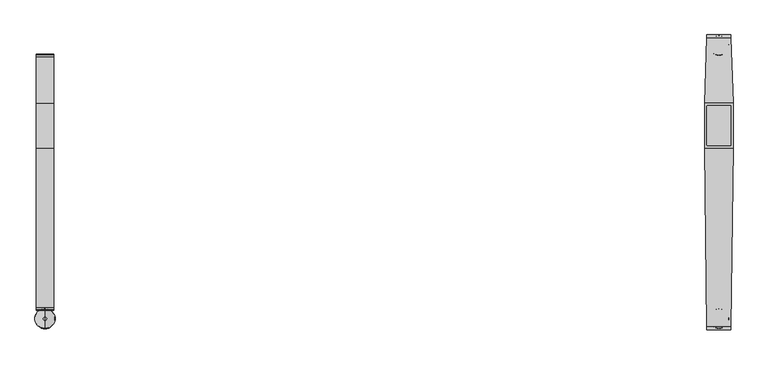
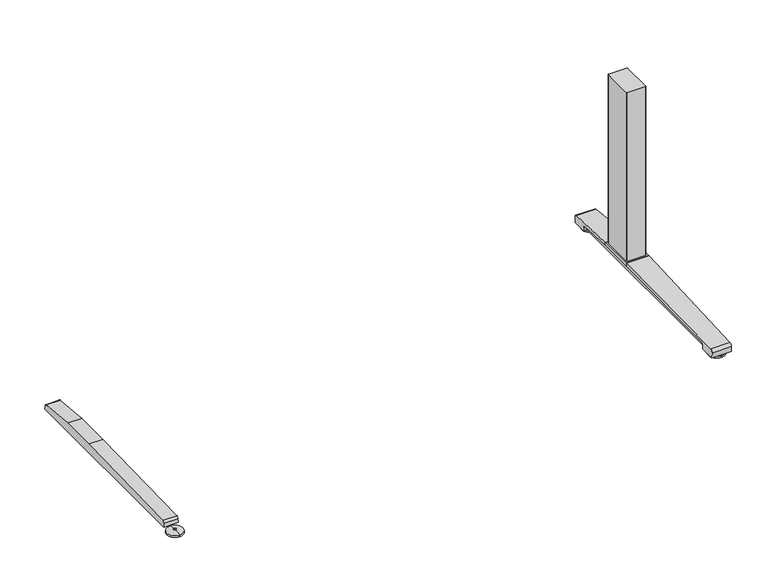
"""IFC4 building model written with IfcOpenShell, lengths in millimetres: furniture geometry."""

from ifc_helpers import new_model, si_unit, point, frame, frame_2d, origin, place, context, project, spatial, polyline, circle_curve, ellipse_curve, trimmed, segment, composite_curve, outline, extrude, source, transform, mapped, element, save
from ifc_brep_helpers import plane_surface, cylinder_surface, revolved_surface, advanced_brep


def furniture_380b1c24(model_context):
    return source(origin(), model_context, "Body", "SolidModel", [
        advanced_brep(
        [(-836.676, -364.1643617, 0.0), (-836.676, -313.9743384, 0.0), (-836.676, -339.06935, 0.0), (-836.676, -364.0796512, 5.0038001), (-836.676, -314.0590489, 5.0038001), (-836.676, -343.0698499, 8.4327997), (-836.676, -335.0688501, 8.4327997), (-836.676, -343.0698499, 10.0423733), (-836.676, -335.0688501, 10.0423733), (-836.676, -339.06935, 10.0423733)],
        [
            (0, 1, circle_curve(frame((-836.676, -339.06935, 0.0), z_axis=(0.0, 0.0, -1.0), x_axis=(0.0, 1.0, 0.0)), 25.0950117)),
            (1, 2),
            (2, 0),
            (1, 0, circle_curve(frame((-836.676, -339.06935, 0.0), z_axis=(0.0, 0.0, -1.0), x_axis=(0.0, 1.0, 0.0)), 25.0950117)),
            (3, 4, circle_curve(frame((-836.676, -339.06935, 5.0038001), z_axis=(0.0, 0.0, -1.0), x_axis=(0.0, 1.0, 0.0)), 25.0103012)),
            (4, 1),
            (0, 3),
            (4, 3, circle_curve(frame((-836.676, -339.06935, 5.0038001), z_axis=(0.0, 0.0, -1.0), x_axis=(0.0, 1.0, 0.0)), 25.0103012)),
            (5, 6, circle_curve(frame((-836.676, -339.06935, 8.4327997), z_axis=(0.0, 0.0, -1.0), x_axis=(0.0, 1.0, 0.0)), 4.0004999)),
            (6, 4, circle_curve(frame((-836.676, -335.0368668, -57.4502444), z_axis=(-1.0, 0.0, 0.0), x_axis=(0.0, 1.0, 0.0)), 65.8830518)),
            (3, 5, circle_curve(frame((-836.676, -343.1018333, -57.4502444), z_axis=(-1.0, 0.0, 0.0), x_axis=(0.0, -1.0, 0.0)), 65.8830518)),
            (6, 5, circle_curve(frame((-836.676, -339.06935, 8.4327997), z_axis=(0.0, 0.0, -1.0), x_axis=(0.0, 1.0, 0.0)), 4.0004999)),
            (7, 8, circle_curve(frame((-836.676, -339.06935, 10.0423733), z_axis=(0.0, 0.0, -1.0), x_axis=(0.0, 1.0, 0.0)), 4.0004999)),
            (8, 6),
            (5, 7),
            (8, 7, circle_curve(frame((-836.676, -339.06935, 10.0423733), z_axis=(0.0, 0.0, -1.0), x_axis=(0.0, 1.0, 0.0)), 4.0004999)),
            (9, 8),
            (7, 9),
        ],
        [
            plane_surface(frame((-836.676, -339.06935, 0.0), z_axis=(0.0, 0.0, -1.0), x_axis=(0.0, 1.0, 0.0))),
            revolved_surface(polyline([(-836.676, -313.9743384, 0.0), (-836.676, -314.0590489, 5.0038001)]), (-836.676, -339.06935, 0.0), (0.0, 0.0, 1.0)),
            revolved_surface(trimmed(ellipse_curve(frame((-836.676, -335.0368668, -57.4502444), z_axis=(1.0, 0.0, 0.0), x_axis=(0.0, 1.0, 0.0)), 65.8830518, 65.8830518), [point((-836.676, -314.0590489, 5.0038001))], [point((-836.676, -335.0688501, 8.4327997))], True, "CARTESIAN"), (-836.676, -339.06935, 0.0), (0.0, 0.0, 1.0)),
            cylinder_surface(frame((-836.676, -339.06935, 0.0), z_axis=(0.0, 0.0, 1.0), x_axis=(0.0, 1.0, 0.0)), 4.0004999),
            plane_surface(frame((-836.676, -339.06935, 10.0423733), z_axis=(0.0, 0.0, 1.0), x_axis=(0.0, 1.0, 0.0))),
        ],
        [
            (0, [[1, 2, 3]]),
            (0, [[4, -3, -2]]),
            (1, [[5, 6, -1, 7]]),
            (1, [[8, -7, -4, -6]]),
            (2, [[9, 10, -5, 11]]),
            (2, [[12, -11, -8, -10]]),
            (3, [[13, 14, -9, 15]]),
            (3, [[16, -15, -12, -14]]),
            (4, [[17, -13, 18]]),
            (4, [[-18, -16, -17]]),
        ],
    ),
        extrude(outline(composite_curve([segment(polyline([(317.3152602, 22.833301), (318.3038309, 11.5339019), (-318.3038309, 11.5339019), (-317.3152602, 22.833301)]), True, "CONTINUOUS"), segment(trimmed(circle_curve(frame_2d((-310.4929906, 22.2364289)), 6.8483297), [point((-317.3152602, 22.833301))], [point((-311.3603185, 29.0296138))], False, "CARTESIAN"), True, "CONTINUOUS"), segment(polyline([(-311.3603185, 29.0296138), (84.6231873, 38.9541198), (196.8596127, 38.9541198), (311.3603185, 29.0296138)]), True, "CONTINUOUS"), segment(trimmed(circle_curve(frame_2d((310.4929906, 22.2364289)), 6.8483297), [point((311.3603185, 29.0296138))], [point((317.3152602, 22.833301))], False, "CARTESIAN"), True, "CONTINUOUS")], self_intersect=False)), frame((-858.6724, 0.0, 0.0), z_axis=(1.0, 0.0, 0.0), x_axis=(0.0, 1.0, 0.0)), (0.0, 0.0, 1.0), 43.9928),
        extrude(outline(composite_curve([segment(trimmed(circle_curve(frame_2d((864.2521079, 188.3835079)), 2.3323921), [point((864.2521079, 190.7159))], [point((866.5845, 188.3835079))], False, "CARTESIAN"), True, "CONTINUOUS"), segment(polyline([(866.5845, 188.3835079), (866.5845, 93.0992921)]), True, "CONTINUOUS"), segment(trimmed(circle_curve(frame_2d((864.2521079, 93.0992921)), 2.3323921), [point((866.5845, 93.0992921))], [point((864.2521079, 90.7669))], False, "CARTESIAN"), True, "CONTINUOUS"), segment(polyline([(864.2521079, 90.7669), (809.0998921, 90.7669)]), True, "CONTINUOUS"), segment(trimmed(circle_curve(frame_2d((809.0998921, 93.0992921)), 2.3323921), [point((809.0998921, 90.7669))], [point((806.7675, 93.0992921))], False, "CARTESIAN"), True, "CONTINUOUS"), segment(polyline([(806.7675, 93.0992921), (806.7675, 188.3835079)]), True, "CONTINUOUS"), segment(trimmed(circle_curve(frame_2d((809.0998921, 188.3835079)), 2.3323921), [point((806.7675, 188.3835079))], [point((809.0998921, 190.7159))], False, "CARTESIAN"), True, "CONTINUOUS"), segment(polyline([(809.0998921, 190.7159), (864.2521079, 190.7159)]), True, "CONTINUOUS")], self_intersect=False)), frame((0.0, 0.0, 48.10013), z_axis=(0.0, 0.0, 1.0), x_axis=(1.0, 0.0, 0.0)), (0.0, 0.0, 1.0), 550.9989485),
        advanced_brep(
        [(836.676, 314.8489737, 0.0), (836.676, 365.038997, 0.0), (836.676, 339.9439854, 0.0), (836.676, 314.9336842, 5.0038001), (836.676, 364.9542866, 5.0038001), (836.676, 335.9434855, 8.4327997), (836.676, 343.9444853, 8.4327997), (836.676, 335.9434855, 10.0423733), (836.676, 343.9444853, 10.0423733), (836.676, 339.9439854, 10.0423733)],
        [
            (0, 1, circle_curve(frame((836.676, 339.9439854, 0.0), z_axis=(0.0, 0.0, -1.0), x_axis=(0.0, 1.0, 0.0)), 25.0950117)),
            (1, 2),
            (2, 0),
            (1, 0, circle_curve(frame((836.676, 339.9439854, 0.0), z_axis=(0.0, 0.0, -1.0), x_axis=(0.0, 1.0, 0.0)), 25.0950117)),
            (3, 4, circle_curve(frame((836.676, 339.9439854, 5.0038001), z_axis=(0.0, 0.0, -1.0), x_axis=(0.0, 1.0, 0.0)), 25.0103012)),
            (4, 1),
            (0, 3),
            (4, 3, circle_curve(frame((836.676, 339.9439854, 5.0038001), z_axis=(0.0, 0.0, -1.0), x_axis=(0.0, 1.0, 0.0)), 25.0103012)),
            (5, 6, circle_curve(frame((836.676, 339.9439854, 8.4327997), z_axis=(0.0, 0.0, -1.0), x_axis=(0.0, 1.0, 0.0)), 4.0004999)),
            (6, 4, circle_curve(frame((836.676, 343.9764687, -57.4502444), z_axis=(-1.0, 0.0, 0.0), x_axis=(0.0, 1.0, 0.0)), 65.8830518)),
            (3, 5, circle_curve(frame((836.676, 335.9115021, -57.4502444), z_axis=(-1.0, 0.0, 0.0), x_axis=(0.0, -1.0, 0.0)), 65.8830518)),
            (6, 5, circle_curve(frame((836.676, 339.9439854, 8.4327997), z_axis=(0.0, 0.0, -1.0), x_axis=(0.0, 1.0, 0.0)), 4.0004999)),
            (7, 8, circle_curve(frame((836.676, 339.9439854, 10.0423733), z_axis=(0.0, 0.0, -1.0), x_axis=(0.0, 1.0, 0.0)), 4.0004999)),
            (8, 6),
            (5, 7),
            (8, 7, circle_curve(frame((836.676, 339.9439854, 10.0423733), z_axis=(0.0, 0.0, -1.0), x_axis=(0.0, 1.0, 0.0)), 4.0004999)),
            (9, 8),
            (7, 9),
        ],
        [
            plane_surface(frame((836.676, 339.9439854, 0.0), z_axis=(0.0, 0.0, -1.0), x_axis=(0.0, 1.0, 0.0))),
            revolved_surface(polyline([(836.676, 365.038997, 0.0), (836.676, 364.9542866, 5.0038001)]), (836.676, 339.9439854, 0.0), (0.0, 0.0, 1.0)),
            revolved_surface(trimmed(ellipse_curve(frame((836.676, 343.9764687, -57.4502444), z_axis=(1.0, 0.0, 0.0), x_axis=(0.0, 1.0, 0.0)), 65.8830518, 65.8830518), [point((836.676, 364.9542866, 5.0038001))], [point((836.676, 343.9444853, 8.4327997))], True, "CARTESIAN"), (836.676, 339.9439854, 0.0), (0.0, 0.0, 1.0)),
            cylinder_surface(frame((836.676, 339.9439854, 0.0), z_axis=(0.0, 0.0, 1.0), x_axis=(0.0, 1.0, 0.0)), 4.0004999),
            plane_surface(frame((836.676, 339.9439854, 10.0423733), z_axis=(0.0, 0.0, 1.0), x_axis=(0.0, 1.0, 0.0))),
        ],
        [
            (0, [[1, 2, 3]]),
            (0, [[4, -3, -2]]),
            (1, [[5, 6, -1, 7]]),
            (1, [[8, -7, -4, -6]]),
            (2, [[9, 10, -5, 11]]),
            (2, [[12, -11, -8, -10]]),
            (3, [[13, 14, -9, 15]]),
            (3, [[16, -15, -12, -14]]),
            (4, [[17, -13, 18]]),
            (4, [[-18, -16, -17]]),
        ],
    ),
        advanced_brep(
        [(836.676, -364.1643617, 0.0), (836.676, -313.9743384, 0.0), (836.676, -339.06935, 0.0), (836.676, -364.0796512, 5.0038001), (836.676, -314.0590489, 5.0038001), (836.676, -343.0698499, 8.4327997), (836.676, -335.0688501, 8.4327997), (836.676, -343.0698499, 10.0423733), (836.676, -335.0688501, 10.0423733), (836.676, -339.06935, 10.0423733)],
        [
            (0, 1, circle_curve(frame((836.676, -339.06935, 0.0), z_axis=(0.0, 0.0, -1.0), x_axis=(0.0, 1.0, 0.0)), 25.0950117)),
            (1, 2),
            (2, 0),
            (1, 0, circle_curve(frame((836.676, -339.06935, 0.0), z_axis=(0.0, 0.0, -1.0), x_axis=(0.0, 1.0, 0.0)), 25.0950117)),
            (3, 4, circle_curve(frame((836.676, -339.06935, 5.0038001), z_axis=(0.0, 0.0, -1.0), x_axis=(0.0, 1.0, 0.0)), 25.0103012)),
            (4, 1),
            (0, 3),
            (4, 3, circle_curve(frame((836.676, -339.06935, 5.0038001), z_axis=(0.0, 0.0, -1.0), x_axis=(0.0, 1.0, 0.0)), 25.0103012)),
            (5, 6, circle_curve(frame((836.676, -339.06935, 8.4327997), z_axis=(0.0, 0.0, -1.0), x_axis=(0.0, 1.0, 0.0)), 4.0004999)),
            (6, 4, circle_curve(frame((836.676, -335.0368668, -57.4502444), z_axis=(-1.0, 0.0, 0.0), x_axis=(0.0, 1.0, 0.0)), 65.8830518)),
            (3, 5, circle_curve(frame((836.676, -343.1018333, -57.4502444), z_axis=(-1.0, 0.0, 0.0), x_axis=(0.0, -1.0, 0.0)), 65.8830518)),
            (6, 5, circle_curve(frame((836.676, -339.06935, 8.4327997), z_axis=(0.0, 0.0, -1.0), x_axis=(0.0, 1.0, 0.0)), 4.0004999)),
            (7, 8, circle_curve(frame((836.676, -339.06935, 10.0423733), z_axis=(0.0, 0.0, -1.0), x_axis=(0.0, 1.0, 0.0)), 4.0004999)),
            (8, 6),
            (5, 7),
            (8, 7, circle_curve(frame((836.676, -339.06935, 10.0423733), z_axis=(0.0, 0.0, -1.0), x_axis=(0.0, 1.0, 0.0)), 4.0004999)),
            (9, 8),
            (7, 9),
        ],
        [
            plane_surface(frame((836.676, -339.06935, 0.0), z_axis=(0.0, 0.0, -1.0), x_axis=(0.0, 1.0, 0.0))),
            revolved_surface(polyline([(836.676, -313.9743384, 0.0), (836.676, -314.0590489, 5.0038001)]), (836.676, -339.06935, 0.0), (0.0, 0.0, 1.0)),
            revolved_surface(trimmed(ellipse_curve(frame((836.676, -335.0368668, -57.4502444), z_axis=(1.0, 0.0, 0.0), x_axis=(0.0, 1.0, 0.0)), 65.8830518, 65.8830518), [point((836.676, -314.0590489, 5.0038001))], [point((836.676, -335.0688501, 8.4327997))], True, "CARTESIAN"), (836.676, -339.06935, 0.0), (0.0, 0.0, 1.0)),
            cylinder_surface(frame((836.676, -339.06935, 0.0), z_axis=(0.0, 0.0, 1.0), x_axis=(0.0, 1.0, 0.0)), 4.0004999),
            plane_surface(frame((836.676, -339.06935, 10.0423733), z_axis=(0.0, 0.0, 1.0), x_axis=(0.0, 1.0, 0.0))),
        ],
        [
            (0, [[1, 2, 3]]),
            (0, [[4, -3, -2]]),
            (1, [[5, 6, -1, 7]]),
            (1, [[8, -7, -4, -6]]),
            (2, [[9, 10, -5, 11]]),
            (2, [[12, -11, -8, -10]]),
            (3, [[13, 14, -9, 15]]),
            (3, [[16, -15, -12, -14]]),
            (4, [[17, -13, 18]]),
            (4, [[-18, -16, -17]]),
        ],
    ),
        extrude(outline(polyline([(871.8068382, 196.8596127), (871.8068382, 84.6231873), (801.5451618, 84.6231873), (801.5451618, 196.8596127), (871.8068382, 196.8596127)])), frame((0.0, 0.0, 38.9541198), z_axis=(0.0, 0.0, 1.0), x_axis=(1.0, 0.0, 0.0)), (0.0, 0.0, 1.0), 9.1460102),
        advanced_brep(
        [(866.3735496, 366.395, 26.8186), (866.613509, 358.907527, 35.7787117), (871.8068382, 196.8596127, 48.10013), (871.8068382, 196.8596127, 38.9541198), (868.1373071, 311.3603185, 29.0296138), (867.9464625, 317.3152602, 22.833301), (867.9106016, 318.4342309, 10.0434261), (866.4198676, 364.9497362, 10.041053), (806.738849, 358.907527, 35.7787117), (806.9788083, 366.395, 26.8186), (806.9324903, 364.9497362, 10.041053), (805.4417563, 318.4342309, 10.0434261), (805.4058954, 317.3152602, 22.833301), (805.2150508, 311.3603185, 29.0296138), (801.5455193, 196.8596013, 38.9541208), (801.5455197, 196.8596127, 48.10013)],
        [
            (0, 1, ellipse_curve(frame((866.6380766, 358.1409412, 27.5296273), z_axis=(0.9994868545941118, 0.03203166392132806, 0.0), x_axis=(0.032031663921324206, -0.9994868545941118, 0.0)), 8.2888806, 8.2846272)),
            (1, 2, ellipse_curve(frame((921.7365776, -1361.1024809, -21513.5555312), z_axis=(0.9994868545941118, 0.03203166392132806, 0.0), x_axis=(0.032031663921324206, -0.9994868545941118, 0.0)), 21628.9673574, 21617.8685521)),
            (2, 3),
            (3, 4),
            (4, 5, ellipse_curve(frame((868.1651033, 310.4929906, 22.2364289), z_axis=(-0.9994868545941118, -0.03203166392132806, 0.0), x_axis=(-0.032031663921324206, 0.9994868545941118, 0.0)), 6.8518456, 6.8483297)),
            (5, 6),
            (6, 7),
            (7, 0),
            (8, 9, ellipse_curve(frame((806.7142813, 358.1409412, 27.5296273), z_axis=(-0.9994868545941165, 0.03203166392118384, 0.0), x_axis=(0.032031663921180474, 0.9994868545941163, 0.0)), 8.2888806, 8.2846272)),
            (9, 10),
            (10, 11),
            (11, 12),
            (12, 13, ellipse_curve(frame((805.1872546, 310.4929906, 22.2364289), z_axis=(0.9994868545941165, -0.03203166392118384, 0.0), x_axis=(-0.032031663921180474, -0.9994868545941163, 0.0)), 6.8518456, 6.8483297)),
            (13, 14),
            (14, 15),
            (15, 8, ellipse_curve(frame((751.6157803, -1361.1024809, -21513.5555312), z_axis=(-0.9994868545941165, 0.03203166392118384, 0.0), x_axis=(0.032031663921180474, 0.9994868545941163, 0.0)), 21628.9673574, 21617.8685521)),
            (0, 9),
            (8, 1),
            (7, 10),
            (6, 11),
            (5, 12),
            (4, 13),
            (3, 14),
            (2, 15),
        ],
        [
            plane_surface(frame((866.3226732, 367.9825, 48.10013), z_axis=(0.9994868545941118, 0.03203166392132806, 0.0), x_axis=(0.0, 0.0, -1.0))),
            plane_surface(frame((801.5455197, 196.8596127, 48.10013), z_axis=(-0.9994868545941165, 0.03203166392118384, 0.0), x_axis=(0.0, 0.0, -1.0))),
            cylinder_surface(frame((801.5451618, 358.1409412, 27.5296273), z_axis=(1.0, 0.0, 0.0), x_axis=(0.0, 1.0, 0.0)), 8.2846272),
            plane_surface(frame((871.8068382, 364.9497362, 10.041053), z_axis=(0.0, 0.9963102368703288, -0.08582489095471861), x_axis=(-1.0, 0.0, 0.0))),
            plane_surface(frame((871.8068382, 318.4342309, 10.0434261), z_axis=(0.0, -5.1017984192696555e-05, -0.9999999986985827), x_axis=(-1.0, 0.0, 0.0))),
            plane_surface(frame((871.8068382, 317.3152602, 22.833301), z_axis=(0.0, -0.9961946873837872, -0.0871558651400954), x_axis=(-1.0, 0.0, 0.0))),
            revolved_surface(polyline([(804.9677785845009, 317.3413203, 22.2364289), (868.3845793155001, 317.3413203, 22.2364289)]), (801.5451618, 310.4929906, 22.2364289), (-1.0, 0.0, 0.0)),
            plane_surface(frame((871.8068382, 196.8596127, 38.9541198), z_axis=(0.0, -0.08635260649839666, -0.9962646372078722), x_axis=(-1.0, 0.0, 0.0))),
            plane_surface(frame((871.8068382, 196.8596127, 48.10013), z_axis=(0.0, -1.0, 0.0), x_axis=(-1.0, 0.0, 0.0))),
            cylinder_surface(frame((801.5451618, -1361.1024809, -21513.5555312), z_axis=(1.0, 0.0, 0.0), x_axis=(0.0, 1.0, 0.0)), 21617.8685521),
        ],
        [
            (0, [[1, 2, 3, 4, 5, 6, 7, 8]]),
            (1, [[9, 10, 11, 12, 13, 14, 15, 16]]),
            (2, [[17, -9, 18, -1]]),
            (3, [[-17, -8, 19, -10]]),
            (4, [[-19, -7, 20, -11]]),
            (5, [[-20, -6, 21, -12]]),
            (6, [[-21, -5, 22, -13]]),
            (7, [[23, -14, -22, -4]]),
            (8, [[-23, -3, 24, -15]]),
            (9, [[-24, -2, -18, -16]]),
        ],
    ),
        extrude(outline(composite_curve([segment(polyline([(317.3152602, 22.833301), (318.3038309, 11.5339019), (-318.3038309, 11.5339019), (-317.3152602, 22.833301)]), True, "CONTINUOUS"), segment(trimmed(circle_curve(frame_2d((-310.4929906, 22.2364289)), 6.8483297), [point((-317.3152602, 22.833301))], [point((-311.3603185, 29.0296138))], False, "CARTESIAN"), True, "CONTINUOUS"), segment(polyline([(-311.3603185, 29.0296138), (84.6231873, 38.9541198), (196.8596127, 38.9541198), (311.3603185, 29.0296138)]), True, "CONTINUOUS"), segment(trimmed(circle_curve(frame_2d((310.4929906, 22.2364289)), 6.8483297), [point((311.3603185, 29.0296138))], [point((317.3152602, 22.833301))], False, "CARTESIAN"), True, "CONTINUOUS")], self_intersect=False)), frame((814.6796, 0.0, 0.0), z_axis=(1.0, 0.0, 0.0), x_axis=(0.0, 1.0, 0.0)), (0.0, 0.0, 1.0), 43.9928),
        advanced_brep(
        [(866.4326335, -358.907527, 35.7787117), (806.9197244, -358.907527, 35.7787117), (807.0104491, -366.395, 26.8186), (866.3419088, -366.395, 26.8186), (806.9929371, -364.9497362, 10.041053), (866.3594208, -364.9497362, 10.041053), (806.4293147, -318.4342309, 10.0434261), (866.9230432, -318.4342309, 10.0434261), (806.4157562, -317.3152602, 22.833301), (866.9366017, -317.3152602, 22.833301), (806.343601, -311.3603185, 29.0296138), (867.0087569, -311.3603185, 29.0296138), (801.5451618, 84.6231873, 38.9541198), (871.8068382, 84.6231873, 38.9541198), (801.5455197, 84.6231873, 48.10013), (871.8068382, 84.6231873, 48.10013)],
        [
            (0, 1),
            (1, 2, ellipse_curve(frame((806.9104358, -358.1409412, 27.5296273), z_axis=(0.9999265987939379, 0.012115982188308264, 0.0), x_axis=(0.01211598218829372, -0.9999265987939379, 0.0)), 8.2852353, 8.2846272)),
            (2, 3),
            (3, 0, ellipse_curve(frame((866.4419221, -358.1409412, 27.5296273), z_axis=(-0.999926598793938, 0.01211598218829279, 0.0), x_axis=(0.012115982188294067, 0.9999265987939379, 0.0)), 8.2852353, 8.2846272)),
            (2, 4),
            (4, 5),
            (5, 3),
            (4, 6),
            (6, 7),
            (7, 5),
            (6, 8),
            (8, 9),
            (9, 7),
            (8, 10, ellipse_curve(frame((806.3330917, -310.4929906, 22.2364289), z_axis=(-0.9999265987939379, -0.012115982188308264, 0.0), x_axis=(-0.01211598218829372, 0.9999265987939379, 0.0)), 6.8488324, 6.8483297)),
            (10, 11),
            (11, 9, ellipse_curve(frame((867.0192662, -310.4929906, 22.2364289), z_axis=(0.999926598793938, -0.01211598218829279, 0.0), x_axis=(-0.012115982188294067, -0.9999265987939379, 0.0)), 6.8488324, 6.8483297)),
            (12, 13),
            (13, 11),
            (10, 12),
            (12, 14),
            (14, 15),
            (15, 13),
            (15, 0, ellipse_curve(frame((887.2737739, 1361.1024809, -53889.962004), z_axis=(0.999926598793938, -0.01211598218829279, 0.0), x_axis=(0.012115982188294067, 0.9999265987939379, 0.0)), 53957.1248938, 53953.1643758)),
            (1, 14, ellipse_curve(frame((786.078584, 1361.1024809, -53889.962004), z_axis=(-0.9999265987939379, -0.012115982188308264, 0.0), x_axis=(0.01211598218829372, -0.9999265987939379, 0.0)), 53957.1248938, 53953.1643758)),
        ],
        [
            cylinder_surface(frame((801.5451618, -358.1409412, 27.5296273), z_axis=(1.0, 0.0, 0.0), x_axis=(0.0, 1.0, 0.0)), 8.2846272),
            plane_surface(frame((871.8068382, -366.395, 26.8186), z_axis=(0.0, -0.9963102368705485, -0.0858248909521675), x_axis=(-1.0, 0.0, 0.0))),
            plane_surface(frame((871.8068382, -364.9497362, 10.041053), z_axis=(0.0, 5.101798391284063e-05, -0.9999999986985827), x_axis=(-1.0, 0.0, 0.0))),
            plane_surface(frame((871.8068382, -318.4342309, 10.0434261), z_axis=(0.0, 0.9961946873837972, -0.08715586513998141), x_axis=(-1.0, 0.0, 0.0))),
            revolved_surface(polyline([(806.250111368631, -303.64466089999996, 22.2364289), (867.102246531369, -303.64466089999996, 22.2364289)]), (801.5451618, -310.4929906, 22.2364289), (-1.0, 0.0, 0.0)),
            plane_surface(frame((871.8068382, -311.3603185, 29.0296138), z_axis=(0.0, 0.025055059879514837, -0.999686072712046), x_axis=(-1.0, 0.0, 0.0))),
            plane_surface(frame((871.8068382, 84.6231873, 38.9541198), z_axis=(0.0, 1.0, 0.0), x_axis=(-1.0, 0.0, 0.0))),
            plane_surface(frame((871.8068382, 84.6231873, 48.10013), z_axis=(0.999926598793938, -0.01211598218829279, 0.0), x_axis=(0.0, 0.0, -1.0))),
            plane_surface(frame((807.0296847, -367.9825, 48.10013), z_axis=(-0.9999265987939379, -0.012115982188308264, 0.0), x_axis=(0.0, 0.0, -1.0))),
            cylinder_surface(frame((801.5451618, 1361.1024809, -53889.962004), z_axis=(1.0, 0.0, 0.0), x_axis=(0.0, 1.0, 0.0)), 53953.1643758),
        ],
        [
            (0, [[1, 2, 3, 4]]),
            (1, [[-3, 5, 6, 7]]),
            (2, [[-6, 8, 9, 10]]),
            (3, [[-9, 11, 12, 13]]),
            (4, [[-12, 14, 15, 16]]),
            (5, [[17, 18, -15, 19]]),
            (6, [[-17, 20, 21, 22]]),
            (7, [[-4, -7, -10, -13, -16, -18, -22, 23]]),
            (8, [[-2, 24, -20, -19, -14, -11, -8, -5]]),
            (9, [[-21, -24, -1, -23]]),
        ],
    ),
    ])


if __name__ == "__main__":
    model = new_model("IFC4")
    model_context = context("Model", 3, world=origin())
    ifc_project = project(units=[si_unit("LENGTHUNIT", "METRE", prefix="MILLI")], contexts=[model_context])
    site = spatial("IfcSite", under=ifc_project)
    building = spatial("IfcBuilding", under=site)
    placement = place(None, origin())
    furniture_shape = furniture_380b1c24(model_context)
    element("IfcFurniture", 1, at=placement, inside=building, context=model_context, shape_type="MappedRepresentation", body=[
        mapped(furniture_shape, transform((0.0, 0.0, 0.0), x_axis=(1.0, 0.0, 0.0), y_axis=(0.0, 1.0, 0.0), z_axis=(0.0, 0.0, 1.0))),
    ])
    save(model, "model.ifc")
